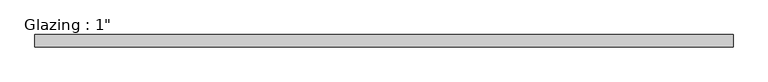
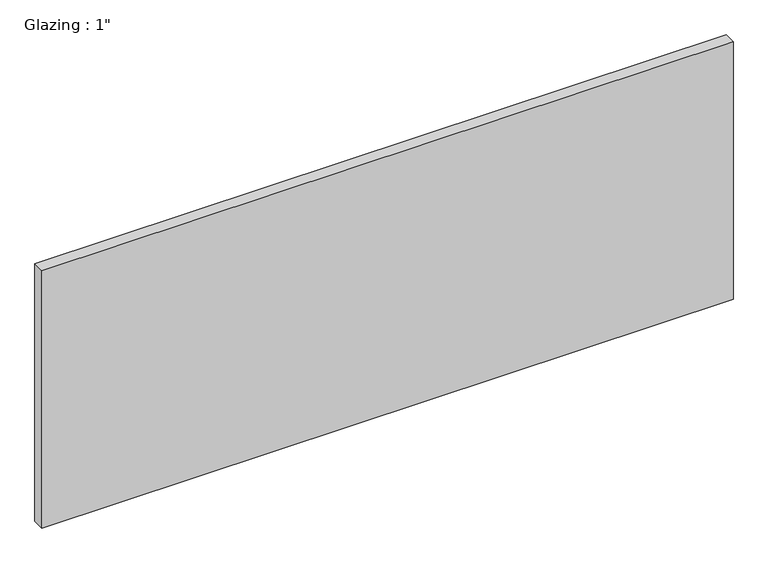
"""IFC4 building model written with IfcOpenShell, lengths in millimetres: plate geometry."""

from ifc_helpers import new_model, si_unit, origin, origin_with_axes, place, context, project, spatial, polyline, outline, extrude, source, transform, mapped, element, save


def plate_6cde06bf(model_context):
    return source(origin(), model_context, "Body", "SweptSolid", [
        extrude(outline(polyline([(715.4631955, -12.7), (-715.4631955, -12.7), (-715.4631955, 12.7), (715.4631955, 12.7), (715.4631955, -12.7)])), origin_with_axes(), (0.0, 0.0, 1.0), 563.17901),
    ])


if __name__ == "__main__":
    model = new_model("IFC4")
    model_context = context("Model", 3, world=origin())
    ifc_project = project(units=[si_unit("LENGTHUNIT", "METRE", prefix="MILLI")], contexts=[model_context])
    site = spatial("IfcSite", under=ifc_project)
    building = spatial("IfcBuilding", under=site)
    placement = place(None, origin())
    plate_shape = plate_6cde06bf(model_context)
    element("IfcPlate", 1, ObjectType="Glazing : 1\"", at=placement, inside=building, context=model_context, shape_type="MappedRepresentation", body=[
        mapped(plate_shape, transform((0.0, 0.0, 0.0), x_axis=(1.0, 0.0, 0.0), y_axis=(0.0, 1.0, 0.0), z_axis=(0.0, 0.0, 1.0))),
    ])
    save(model, "model.ifc")
